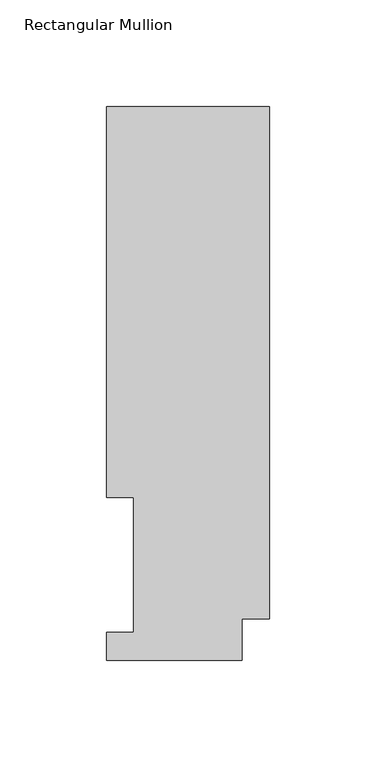
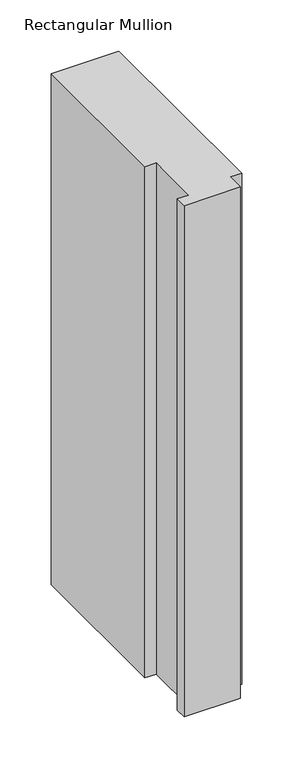
"""IFC4 building model written with IfcOpenShell, lengths in millimetres: member geometry, Rectangular Mullion."""

from ifc_helpers import new_model, si_unit, frame, origin, place, context, project, spatial, polyline, outline, extrude, source, transform, mapped, element, save


def rectangular_mullion_069cbb47(model_context):
    return source(origin(), model_context, "Body", "SweptSolid", [
        extrude(outline(polyline([(-76.2, 76.2992188), (-76.2, 259.4586188), (0.0, 259.4586188), (0.0, 19.5088257), (-12.7, 19.5088257), (-12.7, -0.0333811), (-76.2, -0.0333811), (-76.2, 13.1492189), (-63.5, 13.1492189), (-63.5, 76.2992188), (-76.2, 76.2992188)])), frame((0.0, 0.0, -609.6), z_axis=(0.0, 0.0, 1.0), x_axis=(1.0, 0.0, 0.0)), (0.0, 0.0, 1.0), 609.6),
    ])


if __name__ == "__main__":
    model = new_model("IFC4")
    model_context = context("Model", 3, world=origin())
    ifc_project = project(units=[si_unit("LENGTHUNIT", "METRE", prefix="MILLI")], contexts=[model_context])
    site = spatial("IfcSite", under=ifc_project)
    building = spatial("IfcBuilding", under=site)
    placement = place(None, origin())
    rectangular_mullion_shape = rectangular_mullion_069cbb47(model_context)
    element("IfcMember", 1, ObjectType="Rectangular Mullion", at=placement, inside=building, context=model_context, shape_type="MappedRepresentation", body=[
        mapped(rectangular_mullion_shape, transform((0.0, 0.0, 0.0), x_axis=(1.0, 0.0, 0.0), y_axis=(0.0, 1.0, 0.0), z_axis=(0.0, 0.0, 1.0))),
    ])
    save(model, "model.ifc")
